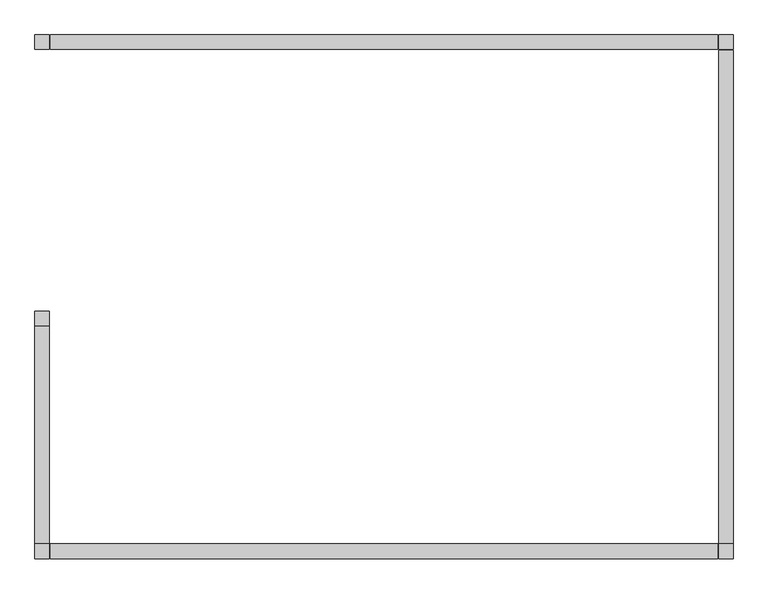
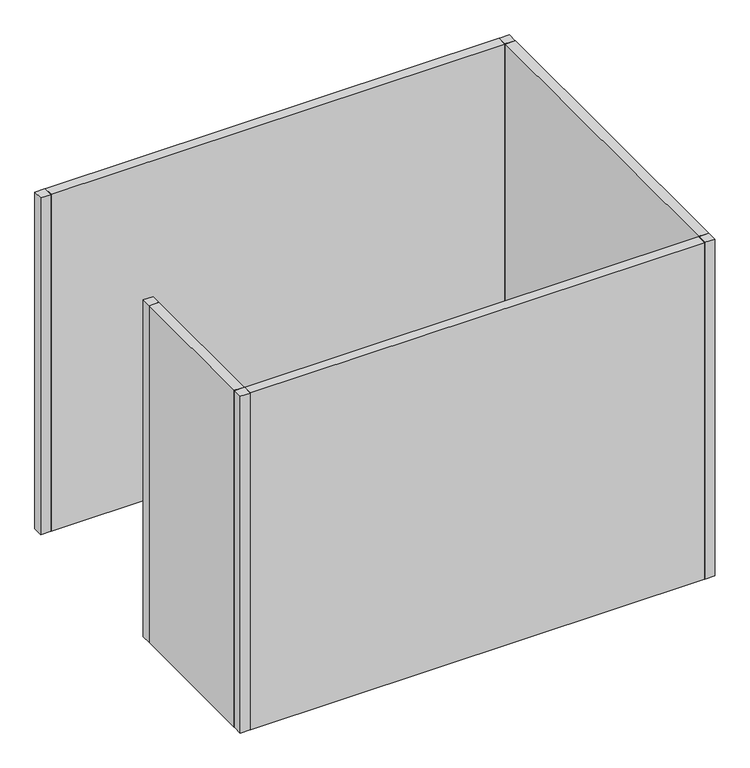
"""IFC4 building model written with IfcOpenShell, lengths in millimetres: furniture geometry."""

from ifc_helpers import new_model, si_unit, origin, origin_with_axes, place, context, project, spatial, polyline, outline, extrude, source, transform, mapped, element, save


def furniture_0fb1a5cc(model_context):
    return source(origin(), model_context, "Body", "SweptSolid", [
        extrude(outline(polyline([(-2438.4, 863.6), (-2387.6, 863.6), (-2387.6, 812.8), (-2438.4, 812.8), (-2438.4, 863.6)])), origin_with_axes(), (0.0, 0.0, 1.0), 1828.8),
        extrude(outline(polyline([(-2438.4, 1828.8), (-2387.6, 1828.8), (-2387.6, 1778.0), (-2438.4, 1778.0), (-2438.4, 1828.8)])), origin_with_axes(), (0.0, 0.0, 1.0), 1828.8),
        extrude(outline(polyline([(-2438.4, 50.8), (-2387.6, 50.8), (-2387.6, 0.0), (-2438.4, 0.0), (-2438.4, 50.8)])), origin_with_axes(), (0.0, 0.0, 1.0), 1828.8),
        extrude(outline(polyline([(-50.8, 50.8), (0.0, 50.8), (0.0, 0.0), (-50.8, 0.0), (-50.8, 50.8)])), origin_with_axes(), (0.0, 0.0, 1.0), 1828.8),
        extrude(outline(polyline([(-50.8, 1828.8), (0.0, 1828.8), (0.0, 1778.0), (-50.8, 1778.0), (-50.8, 1828.8)])), origin_with_axes(), (0.0, 0.0, 1.0), 1828.8),
        extrude(outline(polyline([(-2384.425, 1828.8), (-53.975, 1828.8), (-53.975, 1778.0), (-2384.425, 1778.0), (-2384.425, 1828.8)])), origin_with_axes(), (0.0, 0.0, 1.0), 1828.8),
        extrude(outline(polyline([(-2384.425, 0.0), (-2384.425, 50.8), (-53.975, 50.8), (-53.975, 0.0), (-2384.425, 0.0)])), origin_with_axes(), (0.0, 0.0, 1.0), 1828.8),
        extrude(outline(polyline([(0.0, 53.975), (-50.8, 53.975), (-50.8, 1774.825), (0.0, 1774.825), (0.0, 53.975)])), origin_with_axes(), (0.0, 0.0, 1.0), 1828.8),
        extrude(outline(polyline([(-2438.4, 53.975), (-2438.4, 812.8), (-2387.6, 812.8), (-2387.6, 53.975), (-2438.4, 53.975)])), origin_with_axes(), (0.0, 0.0, 1.0), 1828.8),
    ])


if __name__ == "__main__":
    model = new_model("IFC4")
    model_context = context("Model", 3, world=origin())
    ifc_project = project(units=[si_unit("LENGTHUNIT", "METRE", prefix="MILLI")], contexts=[model_context])
    site = spatial("IfcSite", under=ifc_project)
    building = spatial("IfcBuilding", under=site)
    placement = place(None, origin())
    furniture_shape = furniture_0fb1a5cc(model_context)
    element("IfcFurniture", 1, at=placement, inside=building, context=model_context, shape_type="MappedRepresentation", body=[
        mapped(furniture_shape, transform((0.0, 0.0, 0.0), x_axis=(1.0, 0.0, 0.0), y_axis=(0.0, 1.0, 0.0), z_axis=(0.0, 0.0, 1.0))),
    ])
    save(model, "model.ifc")
